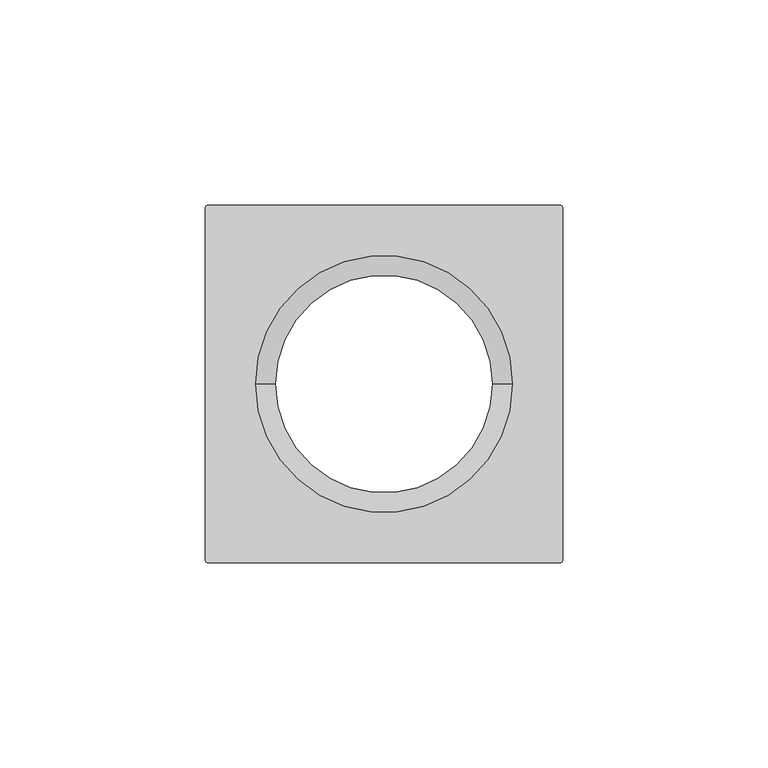
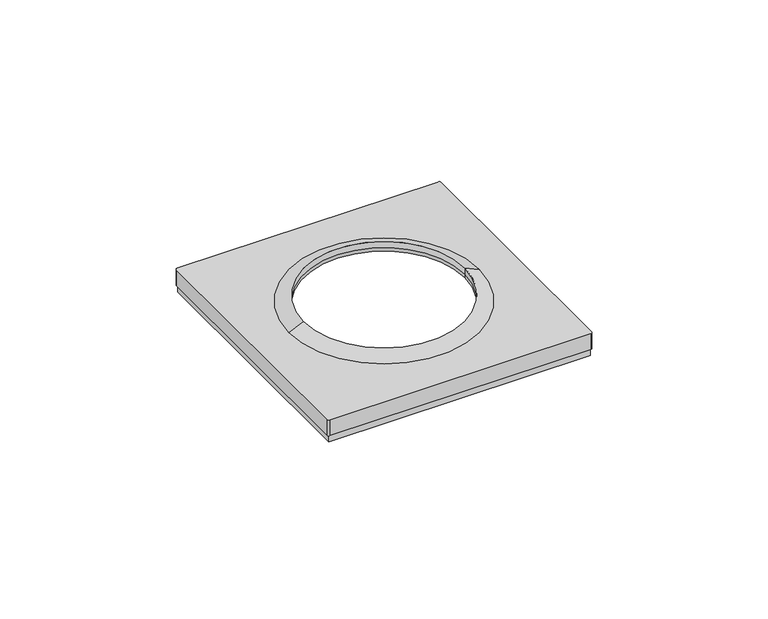
"""IFC4 building model written with IfcOpenShell, lengths in millimetres: proxy geometry."""

import ifcopenshell
import ifcopenshell.guid

model = None  # the IFC model being written
_history = None  # IfcOwnerHistory: only IFC2X3 demands one
_inside = {}  # id of a spatial element -> (the spatial element, [elements in it])
_under = {}  # id of a project, library or spatial element -> (it, [spatial elements below it])
_declared = {}  # id of a project -> (the project, [libraries it declares])
_typed = {}  # id of a type object -> (the type object, [elements of that type])
_made_of = {}  # id of a material, layer set ... -> (it, [elements and type objects made of it])


def new_model(schema):
    """Start an empty IFC model of exactly this schema.

    Asked for "IFC4X3", IfcOpenShell would pick the latest addendum, in which some entities
    have other attributes; the version numbers below select the first issue.
    IFC2X3 requires an IfcOwnerHistory on every rooted entity: one is made here for all.
    """
    global model, _history
    if schema == "IFC4X3":
        model = ifcopenshell.file(schema_version=(4, 3, 0, 0))
    else:
        model = ifcopenshell.file(schema=schema)
    _inside.clear()
    _under.clear()
    _declared.clear()
    _typed.clear()
    _made_of.clear()
    _history = None
    if model.schema == "IFC2X3":
        org = make("IfcOrganization", Name="unknown")
        user = make(
            "IfcPersonAndOrganization",
            ThePerson=make("IfcPerson", FamilyName="unknown"),
            TheOrganization=org,
        )
        app = make(
            "IfcApplication",
            ApplicationDeveloper=org,
            Version="unknown",
            ApplicationFullName="unknown",
            ApplicationIdentifier="unknown",
        )
        _history = make(
            "IfcOwnerHistory",
            OwningUser=user,
            OwningApplication=app,
            ChangeAction="ADDED",
            CreationDate=0,
        )
    return model


def make(cls, **values):
    """One entity of the class cls with the attributes given. An attribute that is None is left unset."""
    return model.create_entity(
        cls, **{name: value for name, value in values.items() if value is not None}
    )


def rooted(cls, **values):
    """An entity with a GlobalId (a new one), such as an element, a storey or a relation."""
    return make(cls, GlobalId=ifcopenshell.guid.new(), OwnerHistory=_history, **values)


def si_unit(unit_type, name, prefix=None):
    """IfcSIUnit, for example si_unit("LENGTHUNIT", "METRE", prefix="MILLI")."""
    return make("IfcSIUnit", UnitType=unit_type, Prefix=prefix, Name=name)


def assignment(units):
    """IfcUnitAssignment: the units of a project."""
    return None if units is None else make("IfcUnitAssignment", Units=units)


def point(xyz):
    """IfcCartesianPoint."""
    return None if xyz is None else make("IfcCartesianPoint", Coordinates=xyz)


def direction(xyz):
    """IfcDirection."""
    return None if xyz is None else make("IfcDirection", DirectionRatios=xyz)


def frame(location, z_axis=None, x_axis=None):
    """IfcAxis2Placement3D, a coordinate frame: its origin and axes. An axis left out is left unset."""
    return make(
        "IfcAxis2Placement3D",
        Location=point(location),
        Axis=direction(z_axis),
        RefDirection=direction(x_axis),
    )


def origin():
    """The frame at (0, 0, 0) with its axes left unset."""
    return frame((0.0, 0.0, 0.0))


def place(relative_to, where):
    """IfcLocalPlacement: puts the frame where relative to a parent placement (None: the world)."""
    return make(
        "IfcLocalPlacement", PlacementRelTo=relative_to, RelativePlacement=where
    )


def context(
    kind, dimensions, precision=None, world=None, true_north=None, identifier=None
):
    """IfcGeometricRepresentationContext, for example the 3D "Model" context."""
    return make(
        "IfcGeometricRepresentationContext",
        ContextIdentifier=identifier,
        ContextType=kind,
        CoordinateSpaceDimension=dimensions,
        Precision=precision,
        WorldCoordinateSystem=world,
        TrueNorth=true_north,
    )


def project(units=None, contexts=None):
    """IfcProject with its units and contexts."""
    return rooted(
        "IfcProject",
        Name="project",
        RepresentationContexts=contexts,
        UnitsInContext=assignment(units),
    )


def spatial(cls, under=None, at=None, **own):
    """A site, building, storey or space (cls), placed at a placement, below another one or the project."""
    s = rooted(cls, ObjectPlacement=at, **own)
    if under is not None:
        _under.setdefault(under.id(), (under, []))[1].append(s)
    return s


def polyline(points):
    """IfcPolyline through the points."""
    return make("IfcPolyline", Points=[point(p) for p in points])


def circle_curve(where, radius):
    """IfcCircle in the frame where."""
    return make("IfcCircle", Position=where, Radius=radius)


def shape(context_of_items, identifier, shape_type, items):
    """IfcShapeRepresentation: the items that make up one representation, for example the "Body"."""
    return make(
        "IfcShapeRepresentation",
        ContextOfItems=context_of_items,
        RepresentationIdentifier=identifier,
        RepresentationType=shape_type,
        Items=items,
    )


def source(mapping_origin, context_of_items, identifier, shape_type, items):
    """IfcRepresentationMap: a shape defined once, which mapped items show again and again."""
    return make(
        "IfcRepresentationMap",
        MappingOrigin=mapping_origin,
        MappedRepresentation=shape(context_of_items, identifier, shape_type, items),
    )


def transform(
    local_origin,
    x_axis=None,
    y_axis=None,
    z_axis=None,
    scale=None,
    scale2=None,
    scale3=None,
    uniform=True,
):
    """IfcCartesianTransformationOperator3D, or its non-uniform kind. x_axis, y_axis, z_axis: its Axis1, 2, 3."""
    if uniform:
        return make(
            "IfcCartesianTransformationOperator3D",
            Axis1=direction(x_axis),
            Axis2=direction(y_axis),
            LocalOrigin=point(local_origin),
            Scale=scale,
            Axis3=direction(z_axis),
        )
    return make(
        "IfcCartesianTransformationOperator3DnonUniform",
        Axis1=direction(x_axis),
        Axis2=direction(y_axis),
        LocalOrigin=point(local_origin),
        Scale=scale,
        Axis3=direction(z_axis),
        Scale2=scale2,
        Scale3=scale3,
    )


def mapped(mapping_source, mapping_target):
    """IfcMappedItem: shows the shape of a source again, moved by a transform."""
    return make(
        "IfcMappedItem", MappingSource=mapping_source, MappingTarget=mapping_target
    )


def made_of(thing, what):
    """Note that an element or type object is made of a material, layer set ...; save() writes the relation."""
    if what is not None:
        _made_of.setdefault(what.id(), (what, []))[1].append(thing)
    return thing


def element(
    cls,
    number,
    at=None,
    inside=None,
    cuts=None,
    type_object=None,
    material=None,
    context=None,
    identifier="Body",
    shape_type=None,
    held_by="IfcProductDefinitionShape",
    body=None,
    shapes=None,
    **own,
):
    """One element of the class cls, such as IfcWall. Its Tag is "e" and its number.

    at: its placement. inside: the storey or other place that contains it. cuts: it is an
    opening in that element (IfcRelVoidsElement). A single representation is given by context,
    identifier, shape_type and body (its items); several are given by shapes. held_by: the class
    of the entity that holds the representations. save() writes the other relations.
    """
    e = rooted(cls, Tag="e%d" % number, ObjectPlacement=at, **own)
    if body is not None:
        shapes = [shape(context, identifier, shape_type, body)]
    if shapes is not None:
        e.Representation = make(held_by, Representations=shapes)
    if inside is not None:
        _inside.setdefault(inside.id(), (inside, []))[1].append(e)
    if cuts is not None:
        rooted(
            "IfcRelVoidsElement", RelatingBuildingElement=cuts, RelatedOpeningElement=e
        )
    if type_object is not None:
        _typed.setdefault(type_object.id(), (type_object, []))[1].append(e)
    return made_of(e, material)


def aggregate(whole, parts):
    """IfcRelAggregates: a whole, such as a stair, and the parts it consists of."""
    return rooted("IfcRelAggregates", RelatingObject=whole, RelatedObjects=parts)


def save(model, path):
    """Write the relations noted so far, then the file.

    IfcRelAggregates (storeys below a building ...), IfcRelContainedInSpatialStructure (elements
    in a storey), IfcRelDefinesByType, IfcRelAssociatesMaterial and IfcRelDeclares: one each for
    every whole, place, type object, material and project.
    """
    for whole, parts in _under.values():
        aggregate(whole, parts)
    for where, things in _inside.values():
        rooted(
            "IfcRelContainedInSpatialStructure",
            RelatedElements=things,
            RelatingStructure=where,
        )
    for kind, things in _typed.values():
        rooted("IfcRelDefinesByType", RelatedObjects=things, RelatingType=kind)
    for what, things in _made_of.values():
        rooted("IfcRelAssociatesMaterial", RelatedObjects=things, RelatingMaterial=what)
    for by, libraries in _declared.values():
        rooted("IfcRelDeclares", RelatingContext=by, RelatedDefinitions=libraries)
    model.write(path)


def plane_surface(at):
    """IfcPlane: the flat surface through the origin of the frame at, square to its z axis."""
    return make("IfcPlane", Position=at)


def cylinder_surface(at, radius):
    """IfcCylindricalSurface: all points at the distance radius from the z axis of the frame at."""
    return make("IfcCylindricalSurface", Position=at, Radius=radius)


def revolved_surface(curve, axis_point, axis_direction):
    """IfcSurfaceOfRevolution: the curve turned about the line through axis_point along axis_direction."""
    return make(
        "IfcSurfaceOfRevolution",
        SweptCurve=make("IfcArbitraryOpenProfileDef", ProfileType="CURVE", Curve=curve),
        AxisPosition=make("IfcAxis1Placement", Location=point(axis_point), Axis=direction(axis_direction)),
    )


def advanced_brep(points, edges, surfaces, faces):
    """IfcAdvancedBrep: a solid bounded by faces that lie on surfaces and meet in shared edges.

    An edge is (start, end): straight between two places in points (the first is 0);
    or (start, end, curve); or (start, end, curve, False) where it runs against its curve.
    A face is (place in surfaces, loops), or (place, loops, False) where it looks against
    its surface's normal. A loop lists edges by number (the first is 1), with a minus sign
    where the edge is run from its end to its start. The first loop is the outer one.
    """
    corners = [point(p) for p in points]
    vertices = [make("IfcVertexPoint", VertexGeometry=c) for c in corners]
    made = []
    for start, end, *more in edges:
        made.append(
            make(
                "IfcEdgeCurve",
                EdgeStart=vertices[start],
                EdgeEnd=vertices[end],
                EdgeGeometry=more[0] if more else make("IfcPolyline", Points=[corners[start], corners[end]]),
                SameSense=more[1] if len(more) > 1 else True,
            )
        )
    hull = []
    for where, loops, *sense in faces:
        bounds = []
        for j, loop in enumerate(loops):
            ring = [make("IfcOrientedEdge", EdgeElement=made[abs(k) - 1], Orientation=k > 0) for k in loop]
            bounds.append(
                make(
                    "IfcFaceOuterBound" if j == 0 else "IfcFaceBound",
                    Bound=make("IfcEdgeLoop", EdgeList=ring),
                    Orientation=True,
                )
            )
        hull.append(make("IfcAdvancedFace", Bounds=bounds, FaceSurface=surfaces[where], SameSense=sense[0] if sense else True))
    return make("IfcAdvancedBrep", Outer=make("IfcClosedShell", CfsFaces=hull))


def electrical_fixtures_582f181c(model_context):
    return source(origin(), model_context, "Body", "AdvancedBrep", [
        advanced_brep(
        [(-43.5, -42.9369707, 8.0076008), (-42.9369707, -43.5, 8.0076008), (42.9369707, -43.5, 8.0076008), (43.5, -42.9369707, 8.0076008), (43.5, 42.9369707, 8.0076008), (42.9369707, 43.5, 8.0076008), (-42.9369707, 43.5, 8.0076008), (-43.5, 42.9369707, 8.0076008), (-31.2841563, 0.0, 8.0076008), (31.2841563, 0.0, 8.0076008), (-43.5, -42.9369707, 2.5), (-43.5, 42.9369707, 2.5), (-42.9369707, 43.5, 2.5), (42.9369707, 43.5, 2.5), (43.5, 42.9369707, 2.5), (43.5, -42.9369707, 2.5), (42.9369707, -43.5, 2.5), (-42.9369707, -43.5, 2.5), (-43.0, -43.0, 2.5), (43.0, -43.0, 2.5), (43.0, 43.0, 2.5), (-43.0, 43.0, 2.5), (-26.5, 0.0, 10.1), (26.5, 0.0, 10.1), (-26.5, 0.0, 8.0076008), (26.5, 0.0, 8.0076008), (-43.0, -43.0, 0.0), (-43.0, 43.0, 0.0), (43.0, 43.0, 0.0), (43.0, -43.0, 0.0), (-42.5, -42.5, 0.0), (42.5, -42.5, 0.0), (42.5, 42.5, 0.0), (-42.5, 42.5, 0.0), (26.5, 0.0, 6.7956384), (-26.5, 0.0, 6.7956384), (42.5, 42.5, 6.7956384), (42.5, -42.5, 6.7956384), (-42.5, -42.5, 6.7956384), (-42.5, 42.5, 6.7956384)],
        [
            (0, 1, circle_curve(frame((-42.9369707, -42.9369707, 8.0076008), z_axis=(0.0, 0.0, 1.0), x_axis=(1.0, 0.0, 0.0)), 0.5630293)),
            (1, 2),
            (2, 3, circle_curve(frame((42.9369707, -42.9369707, 8.0076008), z_axis=(0.0, 0.0, 1.0), x_axis=(-1.0, 0.0, 0.0)), 0.5630293)),
            (3, 4),
            (4, 5, circle_curve(frame((42.9369707, 42.9369707, 8.0076008), z_axis=(0.0, 0.0, 1.0), x_axis=(-1.0, 0.0, 0.0)), 0.5630293)),
            (5, 6),
            (6, 7, circle_curve(frame((-42.9369707, 42.9369707, 8.0076008), z_axis=(0.0, 0.0, 1.0), x_axis=(1.0, 0.0, 0.0)), 0.5630293)),
            (7, 0),
            (8, 9, circle_curve(frame((0.0, 0.0, 8.0076008), z_axis=(0.0, 0.0, -1.0), x_axis=(-1.0, 0.0, 0.0)), 31.2841563)),
            (9, 8, circle_curve(frame((0.0, 0.0, 8.0076008), z_axis=(0.0, 0.0, -1.0), x_axis=(-1.0, 0.0, 0.0)), 31.2841563)),
            (10, 11),
            (11, 12, circle_curve(frame((-42.9369707, 42.9369707, 2.5), z_axis=(0.0, 0.0, -1.0), x_axis=(1.0, 0.0, 0.0)), 0.5630293)),
            (12, 13),
            (13, 14, circle_curve(frame((42.9369707, 42.9369707, 2.5), z_axis=(0.0, 0.0, -1.0), x_axis=(-1.0, 0.0, 0.0)), 0.5630293)),
            (14, 15),
            (15, 16, circle_curve(frame((42.9369707, -42.9369707, 2.5), z_axis=(0.0, 0.0, -1.0), x_axis=(-1.0, 0.0, 0.0)), 0.5630293)),
            (16, 17),
            (17, 10, circle_curve(frame((-42.9369707, -42.9369707, 2.5), z_axis=(0.0, 0.0, -1.0), x_axis=(1.0, 0.0, 0.0)), 0.5630293)),
            (18, 19),
            (19, 20),
            (20, 21),
            (21, 18),
            (0, 10),
            (17, 1),
            (16, 2),
            (15, 3),
            (14, 4),
            (13, 5),
            (12, 6),
            (11, 7),
            (8, 22),
            (22, 23, circle_curve(frame((0.0, 0.0, 10.1), z_axis=(0.0, 0.0, -1.0), x_axis=(-1.0, 0.0, 0.0)), 26.5)),
            (23, 9),
            (23, 22, circle_curve(frame((0.0, 0.0, 10.1), z_axis=(0.0, 0.0, -1.0), x_axis=(-1.0, 0.0, 0.0)), 26.5)),
            (22, 24),
            (24, 25, circle_curve(frame((0.0, 0.0, 8.0076008), z_axis=(0.0, 0.0, -1.0), x_axis=(-1.0, 0.0, 0.0)), 26.5)),
            (25, 23),
            (25, 24, circle_curve(frame((0.0, 0.0, 8.0076008), z_axis=(0.0, 0.0, -1.0), x_axis=(-1.0, 0.0, 0.0)), 26.5)),
            (26, 27),
            (27, 28),
            (28, 29),
            (29, 26),
            (30, 31),
            (31, 32),
            (32, 33),
            (33, 30),
            (29, 19),
            (18, 26),
            (28, 20),
            (27, 21),
            (34, 25),
            (24, 35),
            (35, 34, circle_curve(frame((0.0, 0.0, 6.7956384), z_axis=(0.0, 0.0, -1.0), x_axis=(-1.0, 0.0, 0.0)), 26.5)),
            (34, 35, circle_curve(frame((0.0, 0.0, 6.7956384), z_axis=(0.0, 0.0, -1.0), x_axis=(-1.0, 0.0, 0.0)), 26.5)),
            (36, 37),
            (37, 38),
            (38, 39),
            (39, 36),
            (39, 33),
            (32, 36),
            (38, 30),
            (37, 31),
        ],
        [
            plane_surface(frame((-42.3739414, -42.9369707, 8.0076008), z_axis=(0.0, 0.0, 1.0), x_axis=(0.0, 1.0, 0.0))),
            plane_surface(frame((-42.3739414, -42.9369707, 2.5), z_axis=(0.0, 0.0, -1.0), x_axis=(0.0, -1.0, 0.0))),
            cylinder_surface(frame((-42.9369707, -42.9369707, 2.5), z_axis=(0.0, 0.0, 1.0), x_axis=(1.0, 0.0, 0.0)), 0.5630293),
            plane_surface(frame((-42.9369707, -43.5, 8.0076008), z_axis=(0.0, -1.0, 0.0), x_axis=(0.0, 0.0, -1.0))),
            cylinder_surface(frame((42.9369707, -42.9369707, 2.5), z_axis=(0.0, 0.0, 1.0), x_axis=(-1.0, 0.0, 0.0)), 0.5630293),
            plane_surface(frame((43.5, -42.9369707, 8.0076008), z_axis=(1.0, 0.0, 0.0), x_axis=(0.0, 0.0, -1.0))),
            cylinder_surface(frame((42.9369707, 42.9369707, 2.5), z_axis=(0.0, 0.0, 1.0), x_axis=(-1.0, 0.0, 0.0)), 0.5630293),
            plane_surface(frame((42.9369707, 43.5, 8.0076008), z_axis=(0.0, 1.0, 0.0), x_axis=(0.0, 0.0, -1.0))),
            cylinder_surface(frame((-42.9369707, 42.9369707, 2.5), z_axis=(0.0, 0.0, 1.0), x_axis=(1.0, 0.0, 0.0)), 0.5630293),
            plane_surface(frame((-43.5, 42.9369707, 8.0076008), z_axis=(-1.0, 0.0, 0.0), x_axis=(0.0, 0.0, -1.0))),
            revolved_surface(polyline([(-26.5, 0.0, 10.1), (-31.2841563, 0.0, 8.0076008)]), (0.0, 0.0, 2609.0581012), (0.0, 0.0, -1.0)),
            revolved_surface(polyline([(-26.5, 0.0, 8.007600800000091), (-26.5, 0.0, 10.099999999999909)]), (0.0, 0.0, 2609.0581012), (0.0, 0.0, -1.0)),
            plane_surface(frame((-43.0003046, -43.0, 0.0), z_axis=(0.0, 0.0, -1.0), x_axis=(-1.0, 0.0, 0.0))),
            plane_surface(frame((-43.0, -43.0, 2.5), z_axis=(0.0, -1.0, 0.0), x_axis=(0.0, 0.0, -1.0))),
            plane_surface(frame((43.0, -43.0, 2.5), z_axis=(1.0, 0.0, 0.0), x_axis=(0.0, 0.0, -1.0))),
            plane_surface(frame((43.0, 43.0, 2.5), z_axis=(0.0, 1.0, 0.0), x_axis=(0.0, 0.0, -1.0))),
            plane_surface(frame((-43.0, 43.0, 2.5), z_axis=(-1.0, 0.0, 0.0), x_axis=(0.0, 0.0, -1.0))),
            revolved_surface(polyline([(-26.5, 0.0, 8.0076008), (-26.5, 0.0, 6.7956384)]), (0.0, 0.0, 0.0), (0.0, 0.0, 1.0)),
            plane_surface(frame((-42.5, 42.5, 6.7956384), z_axis=(0.0, 0.0, -1.0), x_axis=(-1.0, 0.0, 0.0))),
            plane_surface(frame((42.5, 42.5, 6.7956384), z_axis=(0.0, -1.0, 0.0), x_axis=(0.0, 0.0, -1.0))),
            plane_surface(frame((-42.5, 42.5, 6.7956384), z_axis=(1.0, 0.0, 0.0), x_axis=(0.0, 0.0, -1.0))),
            plane_surface(frame((-42.5, -42.5, 6.7956384), z_axis=(0.0, 1.0, 0.0), x_axis=(0.0, 0.0, -1.0))),
            plane_surface(frame((42.5, -42.5, 6.7956384), z_axis=(-1.0, 0.0, 0.0), x_axis=(0.0, 0.0, -1.0))),
        ],
        [
            (0, [[1, 2, 3, 4, 5, 6, 7, 8], [9, 10]]),
            (1, [[11, 12, 13, 14, 15, 16, 17, 18], [19, 20, 21, 22]]),
            (2, [[-1, 23, -18, 24]]),
            (3, [[-2, -24, -17, 25]]),
            (4, [[-3, -25, -16, 26]]),
            (5, [[-4, -26, -15, 27]]),
            (6, [[-5, -27, -14, 28]]),
            (7, [[-6, -28, -13, 29]]),
            (8, [[-7, -29, -12, 30]]),
            (9, [[-8, -30, -11, -23]]),
            (10, [[31, 32, 33, -9]]),
            (10, [[-31, -10, -33, 34]]),
            (11, [[-32, 35, 36, 37]]),
            (11, [[-34, -37, 38, -35]]),
            (12, [[39, 40, 41, 42], [43, 44, 45, 46]]),
            (13, [[-42, 47, -19, 48]]),
            (14, [[-41, 49, -20, -47]]),
            (15, [[-40, 50, -21, -49]]),
            (16, [[-39, -48, -22, -50]]),
            (17, [[51, -36, 52, 53]]),
            (17, [[-51, 54, -52, -38]]),
            (18, [[55, 56, 57, 58], [-53, -54]]),
            (19, [[-58, 59, -45, 60]]),
            (20, [[-57, 61, -46, -59]]),
            (21, [[-56, 62, -43, -61]]),
            (22, [[-55, -60, -44, -62]]),
        ],
    ),
    ])


if __name__ == "__main__":
    model = new_model("IFC4")
    model_context = context("Model", 3, world=origin())
    ifc_project = project(units=[si_unit("LENGTHUNIT", "METRE", prefix="MILLI")], contexts=[model_context])
    site = spatial("IfcSite", under=ifc_project)
    building = spatial("IfcBuilding", under=site)
    placement = place(None, origin())
    electrical_fixtures_shape = electrical_fixtures_582f181c(model_context)
    element("IfcBuildingElementProxy", 1, Name="Electrical Fixtures", at=placement, inside=building, context=model_context, shape_type="MappedRepresentation", body=[
        mapped(electrical_fixtures_shape, transform((0.0, 0.0, 0.0), x_axis=(1.0, 0.0, 0.0), y_axis=(0.0, 1.0, 0.0), z_axis=(0.0, 0.0, 1.0))),
    ])
    save(model, "model.ifc")
